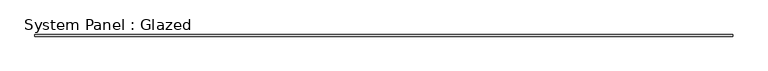
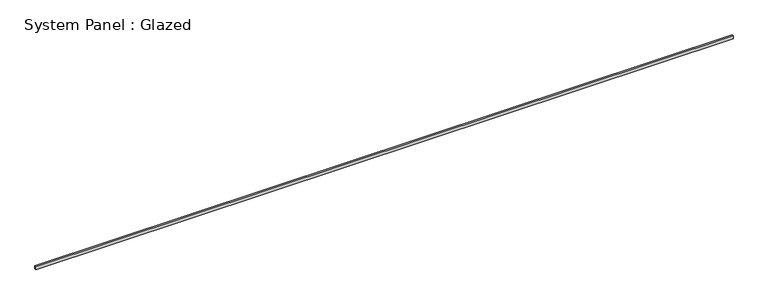
"""IFC4 building model written with IfcOpenShell, lengths in millimetres: plate geometry, System Panel : Glazed."""

from ifc_helpers import new_model, si_unit, origin, origin_with_axes, place, context, project, spatial, polyline, outline, extrude, source, transform, mapped, element, save


def system_panel_glazed_e16f3102(model_context):
    return source(origin(), model_context, "Body", "SweptSolid", [
        extrude(outline(polyline([(5460.8881445, 24.5), (-5460.8881445, 24.5), (-5460.8881445, 49.5), (5460.8881445, 49.5), (5460.8881445, 24.5)])), origin_with_axes(), (0.0, 0.0, 1.0), 50.0),
    ])


if __name__ == "__main__":
    model = new_model("IFC4")
    model_context = context("Model", 3, world=origin())
    ifc_project = project(units=[si_unit("LENGTHUNIT", "METRE", prefix="MILLI")], contexts=[model_context])
    site = spatial("IfcSite", under=ifc_project)
    building = spatial("IfcBuilding", under=site)
    placement = place(None, origin())
    system_panel_glazed_shape = system_panel_glazed_e16f3102(model_context)
    element("IfcPlate", 1, ObjectType="System Panel : Glazed", at=placement, inside=building, context=model_context, shape_type="MappedRepresentation", body=[
        mapped(system_panel_glazed_shape, transform((0.0, 0.0, 0.0), x_axis=(1.0, 0.0, 0.0), y_axis=(0.0, 1.0, 0.0), z_axis=(0.0, 0.0, 1.0))),
    ])
    save(model, "model.ifc")
